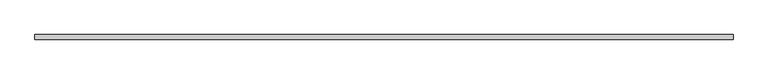
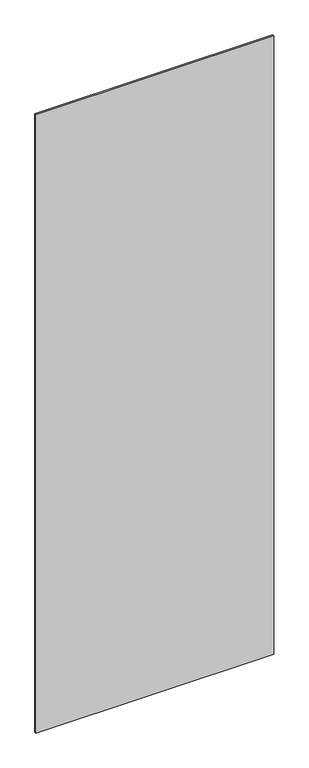
"""IFC4 building model written with IfcOpenShell, lengths in millimetres: plate geometry."""

from ifc_helpers import new_model, si_unit, origin, origin_with_axes, place, context, project, spatial, polyline, outline, extrude, source, transform, mapped, element, save


def plate_51db8471(model_context):
    return source(origin(), model_context, "Body", "SweptSolid", [
        extrude(outline(polyline([(702.2662701, -5.0), (-702.2662701, -5.0), (-702.2662701, 5.0), (702.2662701, 5.0), (702.2662701, -5.0)])), origin_with_axes(), (0.0, 0.0, 1.0), 3860.0),
    ])


if __name__ == "__main__":
    model = new_model("IFC4")
    model_context = context("Model", 3, world=origin())
    ifc_project = project(units=[si_unit("LENGTHUNIT", "METRE", prefix="MILLI")], contexts=[model_context])
    site = spatial("IfcSite", under=ifc_project)
    building = spatial("IfcBuilding", under=site)
    placement = place(None, origin())
    plate_shape = plate_51db8471(model_context)
    element("IfcPlate", 1, at=placement, inside=building, context=model_context, shape_type="MappedRepresentation", body=[
        mapped(plate_shape, transform((0.0, 0.0, 0.0), x_axis=(1.0, 0.0, 0.0), y_axis=(0.0, 1.0, 0.0), z_axis=(0.0, 0.0, 1.0))),
    ])
    save(model, "model.ifc")
